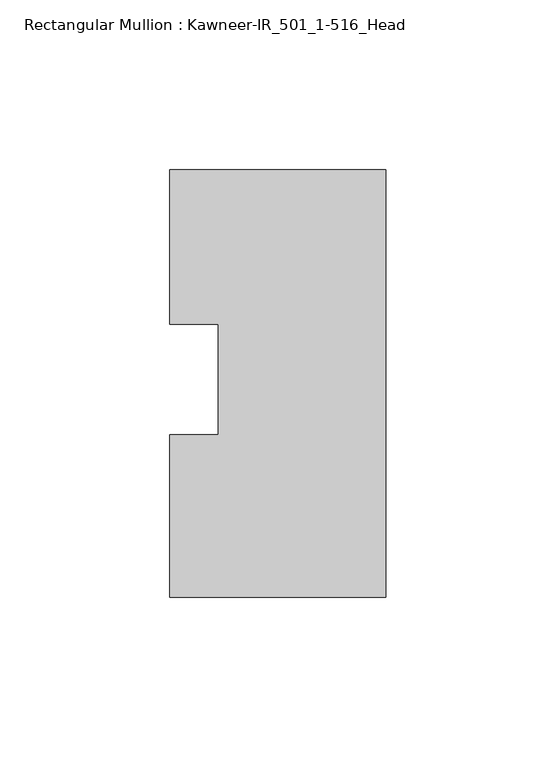
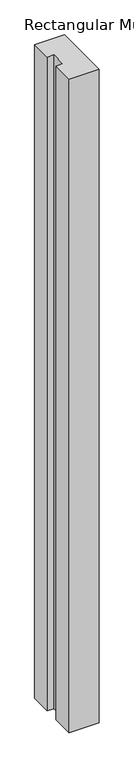
"""IFC4 building model written with IfcOpenShell, lengths in millimetres: member geometry, Rectangular Mullion : Kawneer-IR_501_1-516_Head."""

from ifc_helpers import new_model, si_unit, frame, origin, place, context, project, spatial, polyline, outline, extrude, source, transform, mapped, element, save


def rectangular_mullion_kawneer_ir_501_1_516_head_bd09857d(model_context):
    return source(origin(), model_context, "Body", "SweptSolid", [
        extrude(outline(polyline([(-63.5, -38.101483), (-63.5, 9.7013073), (-49.2252, 9.7013073), (-49.2252, 42.1966825), (-63.5, 42.1966825), (-63.5, 87.679317), (0.0, 87.679317), (0.0, -38.101483), (-63.5, -38.101483)])), frame((0.0, 0.0, -1460.5), z_axis=(0.0, 0.0, 1.0), x_axis=(1.0, 0.0, 0.0)), (0.0, 0.0, 1.0), 1460.5),
    ])


if __name__ == "__main__":
    model = new_model("IFC4")
    model_context = context("Model", 3, world=origin())
    ifc_project = project(units=[si_unit("LENGTHUNIT", "METRE", prefix="MILLI")], contexts=[model_context])
    site = spatial("IfcSite", under=ifc_project)
    building = spatial("IfcBuilding", under=site)
    placement = place(None, origin())
    rectangular_mullion_kawneer_ir_501_1_516_head_shape = rectangular_mullion_kawneer_ir_501_1_516_head_bd09857d(model_context)
    element("IfcMember", 1, ObjectType="Rectangular Mullion : Kawneer-IR_501_1-516_Head", at=placement, inside=building, context=model_context, shape_type="MappedRepresentation", body=[
        mapped(rectangular_mullion_kawneer_ir_501_1_516_head_shape, transform((0.0, 0.0, 0.0), x_axis=(1.0, 0.0, 0.0), y_axis=(0.0, 1.0, 0.0), z_axis=(0.0, 0.0, 1.0))),
    ])
    save(model, "model.ifc")
